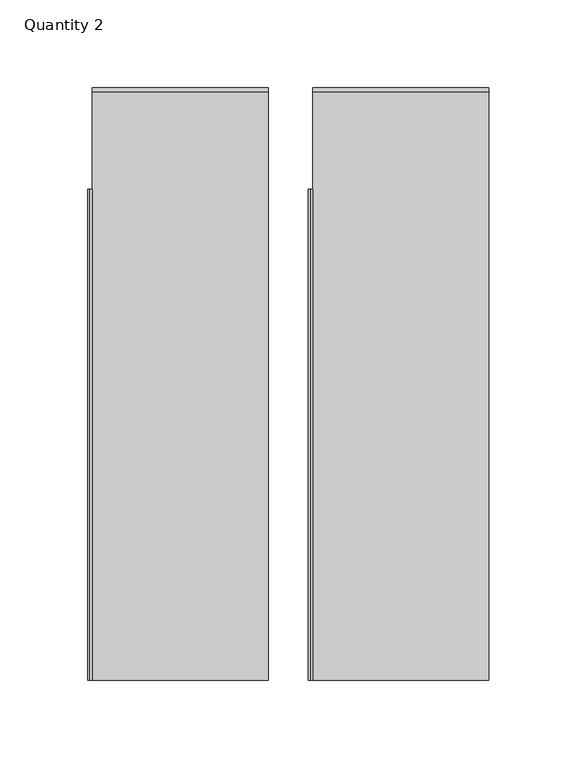
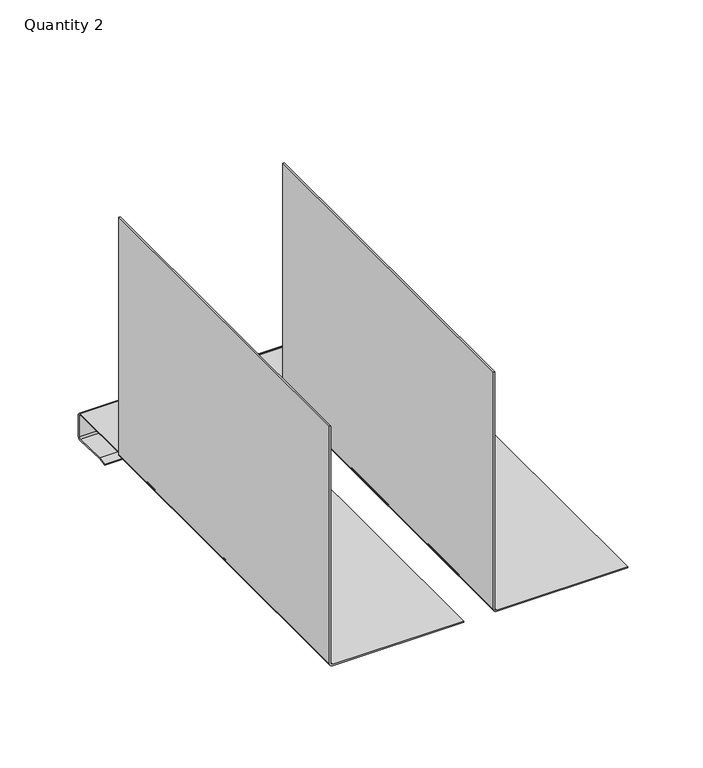
"""IFC4 building model written with IfcOpenShell, lengths in millimetres: furniture geometry, Quantity 2."""

import ifcopenshell
import ifcopenshell.guid

model = None  # the IFC model being written
_history = None  # IfcOwnerHistory: only IFC2X3 demands one
_inside = {}  # id of a spatial element -> (the spatial element, [elements in it])
_under = {}  # id of a project, library or spatial element -> (it, [spatial elements below it])
_declared = {}  # id of a project -> (the project, [libraries it declares])
_typed = {}  # id of a type object -> (the type object, [elements of that type])
_made_of = {}  # id of a material, layer set ... -> (it, [elements and type objects made of it])


def new_model(schema):
    """Start an empty IFC model of exactly this schema.

    Asked for "IFC4X3", IfcOpenShell would pick the latest addendum, in which some entities
    have other attributes; the version numbers below select the first issue.
    IFC2X3 requires an IfcOwnerHistory on every rooted entity: one is made here for all.
    """
    global model, _history
    if schema == "IFC4X3":
        model = ifcopenshell.file(schema_version=(4, 3, 0, 0))
    else:
        model = ifcopenshell.file(schema=schema)
    _inside.clear()
    _under.clear()
    _declared.clear()
    _typed.clear()
    _made_of.clear()
    _history = None
    if model.schema == "IFC2X3":
        org = make("IfcOrganization", Name="unknown")
        user = make(
            "IfcPersonAndOrganization",
            ThePerson=make("IfcPerson", FamilyName="unknown"),
            TheOrganization=org,
        )
        app = make(
            "IfcApplication",
            ApplicationDeveloper=org,
            Version="unknown",
            ApplicationFullName="unknown",
            ApplicationIdentifier="unknown",
        )
        _history = make(
            "IfcOwnerHistory",
            OwningUser=user,
            OwningApplication=app,
            ChangeAction="ADDED",
            CreationDate=0,
        )
    return model


def make(cls, **values):
    """One entity of the class cls with the attributes given. An attribute that is None is left unset."""
    return model.create_entity(
        cls, **{name: value for name, value in values.items() if value is not None}
    )


def rooted(cls, **values):
    """An entity with a GlobalId (a new one), such as an element, a storey or a relation."""
    return make(cls, GlobalId=ifcopenshell.guid.new(), OwnerHistory=_history, **values)


def si_unit(unit_type, name, prefix=None):
    """IfcSIUnit, for example si_unit("LENGTHUNIT", "METRE", prefix="MILLI")."""
    return make("IfcSIUnit", UnitType=unit_type, Prefix=prefix, Name=name)


def assignment(units):
    """IfcUnitAssignment: the units of a project."""
    return None if units is None else make("IfcUnitAssignment", Units=units)


def point(xyz):
    """IfcCartesianPoint."""
    return None if xyz is None else make("IfcCartesianPoint", Coordinates=xyz)


def direction(xyz):
    """IfcDirection."""
    return None if xyz is None else make("IfcDirection", DirectionRatios=xyz)


def frame(location, z_axis=None, x_axis=None):
    """IfcAxis2Placement3D, a coordinate frame: its origin and axes. An axis left out is left unset."""
    return make(
        "IfcAxis2Placement3D",
        Location=point(location),
        Axis=direction(z_axis),
        RefDirection=direction(x_axis),
    )


def origin():
    """The frame at (0, 0, 0) with its axes left unset."""
    return frame((0.0, 0.0, 0.0))


def place(relative_to, where):
    """IfcLocalPlacement: puts the frame where relative to a parent placement (None: the world)."""
    return make(
        "IfcLocalPlacement", PlacementRelTo=relative_to, RelativePlacement=where
    )


def context(
    kind, dimensions, precision=None, world=None, true_north=None, identifier=None
):
    """IfcGeometricRepresentationContext, for example the 3D "Model" context."""
    return make(
        "IfcGeometricRepresentationContext",
        ContextIdentifier=identifier,
        ContextType=kind,
        CoordinateSpaceDimension=dimensions,
        Precision=precision,
        WorldCoordinateSystem=world,
        TrueNorth=true_north,
    )


def project(units=None, contexts=None):
    """IfcProject with its units and contexts."""
    return rooted(
        "IfcProject",
        Name="project",
        RepresentationContexts=contexts,
        UnitsInContext=assignment(units),
    )


def spatial(cls, under=None, at=None, **own):
    """A site, building, storey or space (cls), placed at a placement, below another one or the project."""
    s = rooted(cls, ObjectPlacement=at, **own)
    if under is not None:
        _under.setdefault(under.id(), (under, []))[1].append(s)
    return s


def polyline(points):
    """IfcPolyline through the points."""
    return make("IfcPolyline", Points=[point(p) for p in points])


def circle_curve(where, radius):
    """IfcCircle in the frame where."""
    return make("IfcCircle", Position=where, Radius=radius)


def shape(context_of_items, identifier, shape_type, items):
    """IfcShapeRepresentation: the items that make up one representation, for example the "Body"."""
    return make(
        "IfcShapeRepresentation",
        ContextOfItems=context_of_items,
        RepresentationIdentifier=identifier,
        RepresentationType=shape_type,
        Items=items,
    )


def source(mapping_origin, context_of_items, identifier, shape_type, items):
    """IfcRepresentationMap: a shape defined once, which mapped items show again and again."""
    return make(
        "IfcRepresentationMap",
        MappingOrigin=mapping_origin,
        MappedRepresentation=shape(context_of_items, identifier, shape_type, items),
    )


def transform(
    local_origin,
    x_axis=None,
    y_axis=None,
    z_axis=None,
    scale=None,
    scale2=None,
    scale3=None,
    uniform=True,
):
    """IfcCartesianTransformationOperator3D, or its non-uniform kind. x_axis, y_axis, z_axis: its Axis1, 2, 3."""
    if uniform:
        return make(
            "IfcCartesianTransformationOperator3D",
            Axis1=direction(x_axis),
            Axis2=direction(y_axis),
            LocalOrigin=point(local_origin),
            Scale=scale,
            Axis3=direction(z_axis),
        )
    return make(
        "IfcCartesianTransformationOperator3DnonUniform",
        Axis1=direction(x_axis),
        Axis2=direction(y_axis),
        LocalOrigin=point(local_origin),
        Scale=scale,
        Axis3=direction(z_axis),
        Scale2=scale2,
        Scale3=scale3,
    )


def mapped(mapping_source, mapping_target):
    """IfcMappedItem: shows the shape of a source again, moved by a transform."""
    return make(
        "IfcMappedItem", MappingSource=mapping_source, MappingTarget=mapping_target
    )


def made_of(thing, what):
    """Note that an element or type object is made of a material, layer set ...; save() writes the relation."""
    if what is not None:
        _made_of.setdefault(what.id(), (what, []))[1].append(thing)
    return thing


def element(
    cls,
    number,
    at=None,
    inside=None,
    cuts=None,
    type_object=None,
    material=None,
    context=None,
    identifier="Body",
    shape_type=None,
    held_by="IfcProductDefinitionShape",
    body=None,
    shapes=None,
    **own,
):
    """One element of the class cls, such as IfcWall. Its Tag is "e" and its number.

    at: its placement. inside: the storey or other place that contains it. cuts: it is an
    opening in that element (IfcRelVoidsElement). A single representation is given by context,
    identifier, shape_type and body (its items); several are given by shapes. held_by: the class
    of the entity that holds the representations. save() writes the other relations.
    """
    e = rooted(cls, Tag="e%d" % number, ObjectPlacement=at, **own)
    if body is not None:
        shapes = [shape(context, identifier, shape_type, body)]
    if shapes is not None:
        e.Representation = make(held_by, Representations=shapes)
    if inside is not None:
        _inside.setdefault(inside.id(), (inside, []))[1].append(e)
    if cuts is not None:
        rooted(
            "IfcRelVoidsElement", RelatingBuildingElement=cuts, RelatedOpeningElement=e
        )
    if type_object is not None:
        _typed.setdefault(type_object.id(), (type_object, []))[1].append(e)
    return made_of(e, material)


def aggregate(whole, parts):
    """IfcRelAggregates: a whole, such as a stair, and the parts it consists of."""
    return rooted("IfcRelAggregates", RelatingObject=whole, RelatedObjects=parts)


def save(model, path):
    """Write the relations noted so far, then the file.

    IfcRelAggregates (storeys below a building ...), IfcRelContainedInSpatialStructure (elements
    in a storey), IfcRelDefinesByType, IfcRelAssociatesMaterial and IfcRelDeclares: one each for
    every whole, place, type object, material and project.
    """
    for whole, parts in _under.values():
        aggregate(whole, parts)
    for where, things in _inside.values():
        rooted(
            "IfcRelContainedInSpatialStructure",
            RelatedElements=things,
            RelatingStructure=where,
        )
    for kind, things in _typed.values():
        rooted("IfcRelDefinesByType", RelatedObjects=things, RelatingType=kind)
    for what, things in _made_of.values():
        rooted("IfcRelAssociatesMaterial", RelatedObjects=things, RelatingMaterial=what)
    for by, libraries in _declared.values():
        rooted("IfcRelDeclares", RelatingContext=by, RelatedDefinitions=libraries)
    model.write(path)


def plane_surface(at):
    """IfcPlane: the flat surface through the origin of the frame at, square to its z axis."""
    return make("IfcPlane", Position=at)


def cylinder_surface(at, radius):
    """IfcCylindricalSurface: all points at the distance radius from the z axis of the frame at."""
    return make("IfcCylindricalSurface", Position=at, Radius=radius)


def revolved_surface(curve, axis_point, axis_direction):
    """IfcSurfaceOfRevolution: the curve turned about the line through axis_point along axis_direction."""
    return make(
        "IfcSurfaceOfRevolution",
        SweptCurve=make("IfcArbitraryOpenProfileDef", ProfileType="CURVE", Curve=curve),
        AxisPosition=make("IfcAxis1Placement", Location=point(axis_point), Axis=direction(axis_direction)),
    )


def advanced_brep(points, edges, surfaces, faces):
    """IfcAdvancedBrep: a solid bounded by faces that lie on surfaces and meet in shared edges.

    An edge is (start, end): straight between two places in points (the first is 0);
    or (start, end, curve); or (start, end, curve, False) where it runs against its curve.
    A face is (place in surfaces, loops), or (place, loops, False) where it looks against
    its surface's normal. A loop lists edges by number (the first is 1), with a minus sign
    where the edge is run from its end to its start. The first loop is the outer one.
    """
    corners = [point(p) for p in points]
    vertices = [make("IfcVertexPoint", VertexGeometry=c) for c in corners]
    made = []
    for start, end, *more in edges:
        made.append(
            make(
                "IfcEdgeCurve",
                EdgeStart=vertices[start],
                EdgeEnd=vertices[end],
                EdgeGeometry=more[0] if more else make("IfcPolyline", Points=[corners[start], corners[end]]),
                SameSense=more[1] if len(more) > 1 else True,
            )
        )
    hull = []
    for where, loops, *sense in faces:
        bounds = []
        for j, loop in enumerate(loops):
            ring = [make("IfcOrientedEdge", EdgeElement=made[abs(k) - 1], Orientation=k > 0) for k in loop]
            bounds.append(
                make(
                    "IfcFaceOuterBound" if j == 0 else "IfcFaceBound",
                    Bound=make("IfcEdgeLoop", EdgeList=ring),
                    Orientation=True,
                )
            )
        hull.append(make("IfcAdvancedFace", Bounds=bounds, FaceSurface=surfaces[where], SameSense=sense[0] if sense else True))
    return make("IfcAdvancedBrep", Outer=make("IfcClosedShell", CfsFaces=hull))


def quantity_2_00eccd45(model_context):
    return source(origin(), model_context, "Body", "AdvancedBrep", [
        advanced_brep(
        [(12.7063845, 0.0, 22.1765094), (11.1823842, 0.0, 23.7005093), (11.1823659, 0.0, 216.1765093), (10.1823664, 0.0, 216.1765093), (10.1823847, 0.0, 23.7165097), (12.7223852, 0.0, 21.1765099), (113.1823173, 0.0, 21.1765296), (113.1823173, 0.0, 22.1765291), (12.7223852, 279.9625141, 21.1765099), (10.1823847, 279.9625141, 23.7165097), (10.1823664, 279.9625141, 216.1765093), (11.1823659, 279.9625141, 216.1765093), (11.1823842, 279.9625141, 23.7005093), (12.7063845, 279.9625141, 22.1765094), (12.6823958, 335.4883022, 21.1765099), (113.1823708, 335.4883022, 21.1765296), (113.1823173, 337.0123022, 19.6525765), (113.1823173, 337.0123022, 2.4940474), (113.1823173, 335.6941455, 1.2249608), (113.1823173, 309.682793, 2.2119872), (113.1823173, 303.0120762, 0.9471109), (113.1823173, 303.3330353, 1.74e-05), (113.1823173, 309.8088997, 1.1988571), (113.1823173, 335.9032282, 0.208545), (113.1823173, 338.0122896, 2.2390832), (113.1823173, 338.0122896, 19.6365733), (113.1823173, 335.4722896, 22.1765733), (12.6823958, 335.4722896, 22.1765094), (12.6823958, 338.0122896, 19.6365733), (12.6823958, 338.0122896, 2.2390832), (12.6823958, 335.9032282, 0.208545), (12.6823958, 309.8088997, 1.1988571), (12.6823958, 303.3330353, 1.74e-05), (12.6823958, 303.0120762, 0.9471109), (12.6823958, 309.682793, 2.2119872), (12.6823958, 335.6941455, 1.2249608), (12.6823958, 337.0123022, 2.4940474), (12.6823958, 337.0123022, 19.6525765)],
        [
            (0, 1, circle_curve(frame((12.7063842, 0.0, 23.7005094), z_axis=(0.0, 1.0, 0.0), x_axis=(1.0, 0.0, 0.0)), 1.524)),
            (1, 2),
            (2, 3),
            (3, 4),
            (4, 5, circle_curve(frame((12.7223847, 0.0, 23.7165099), z_axis=(0.0, -1.0, 0.0), x_axis=(1.0, 0.0, 0.0)), 2.54)),
            (5, 6),
            (6, 7),
            (7, 0),
            (8, 9, circle_curve(frame((12.7223847, 279.9625141, 23.7165099), z_axis=(0.0, 1.0, 0.0), x_axis=(1.0, 0.0, 0.0)), 2.54)),
            (9, 10),
            (10, 11),
            (11, 12),
            (12, 13, circle_curve(frame((12.7063842, 279.9625141, 23.7005094), z_axis=(0.0, -1.0, 0.0), x_axis=(1.0, 0.0, 0.0)), 1.524)),
            (13, 8),
            (0, 13),
            (12, 1),
            (11, 2),
            (10, 3),
            (9, 4),
            (8, 5),
            (8, 14),
            (14, 15),
            (15, 6),
            (15, 16, circle_curve(frame((113.1823173, 335.4883022, 19.6525765), z_axis=(-1.0, 0.0, 0.0), x_axis=(0.0, -1.0, 0.0)), 1.524)),
            (16, 17),
            (17, 18, circle_curve(frame((113.1823173, 335.7423022, 2.4940474), z_axis=(-1.0, 0.0, 0.0), x_axis=(0.0, -1.0, 0.0)), 1.27)),
            (18, 19),
            (19, 20),
            (20, 21),
            (21, 22),
            (22, 23),
            (23, 24, circle_curve(frame((113.1823173, 335.9802896, 2.2390832), z_axis=(1.0, 0.0, 0.0), x_axis=(0.0, -1.0, 0.0)), 2.032)),
            (24, 25),
            (25, 26, circle_curve(frame((113.1823173, 335.4722896, 19.6365733), z_axis=(1.0, 0.0, 0.0), x_axis=(0.0, -1.0, 0.0)), 2.54)),
            (26, 7),
            (26, 27),
            (27, 13),
            (27, 28, circle_curve(frame((12.6823958, 335.4722896, 19.6365733), z_axis=(-1.0, 0.0, 0.0), x_axis=(0.0, -1.0, 0.0)), 2.54)),
            (28, 29),
            (29, 30, circle_curve(frame((12.6823958, 335.9802896, 2.2390832), z_axis=(-1.0, 0.0, 0.0), x_axis=(0.0, -1.0, 0.0)), 2.032)),
            (30, 31),
            (31, 32),
            (32, 33),
            (33, 34),
            (34, 35),
            (35, 36, circle_curve(frame((12.6823958, 335.7423022, 2.4940474), z_axis=(1.0, 0.0, 0.0), x_axis=(0.0, -1.0, 0.0)), 1.27)),
            (36, 37),
            (37, 14, circle_curve(frame((12.6823958, 335.4883022, 19.6525765), z_axis=(1.0, 0.0, 0.0), x_axis=(0.0, -1.0, 0.0)), 1.524)),
            (37, 16),
            (36, 17),
            (35, 18),
            (34, 19),
            (33, 20),
            (32, 21),
            (31, 22),
            (30, 23),
            (29, 24),
            (28, 25),
        ],
        [
            plane_surface(frame((14.2303842, 0.0, 23.7005094), z_axis=(0.0, -1.0, 0.0), x_axis=(0.0, 0.0, -1.0))),
            plane_surface(frame((14.2303842, 279.9625141, 23.7005094), z_axis=(0.0, 1.0, 0.0), x_axis=(0.0, 0.0, 1.0))),
            revolved_surface(polyline([(14.2303842, 279.9625141, 23.7005094), (14.2303842, 0.0, 23.7005094)]), (12.7063842, 279.9625141, 23.7005094), (0.0, 1.0, 0.0)),
            plane_surface(frame((11.1823842, 0.0, 23.7005093), z_axis=(0.9999999999999956, 0.0, 9.486941671381241e-08), x_axis=(0.0, 1.0, 0.0))),
            plane_surface(frame((11.1823659, 0.0, 216.1765093), z_axis=(0.0, 0.0, 1.0), x_axis=(0.0, 1.0, 0.0))),
            plane_surface(frame((10.1823664, 0.0, 216.1765093), z_axis=(-0.9999999999999956, 0.0, -9.486941675771524e-08), x_axis=(0.0, 1.0, 0.0))),
            cylinder_surface(frame((12.7223847, 279.9625141, 23.7165099), z_axis=(0.0, -1.0, 0.0), x_axis=(1.0, 0.0, 0.0)), 2.54),
            plane_surface(frame((12.7223852, 0.0, 21.1765099), z_axis=(1.9583536070630945e-07, 0.0, -0.9999999999999809), x_axis=(0.0, 1.0, 0.0))),
            plane_surface(frame((113.1823173, 0.0, 21.1765296), z_axis=(1.0, 0.0, 0.0), x_axis=(0.0, 1.0, 0.0))),
            plane_surface(frame((113.1823173, 0.0, 22.1765291), z_axis=(-1.9583536195111992e-07, 0.0, 0.9999999999999809), x_axis=(0.0, 1.0, 0.0))),
            plane_surface(frame((12.6823958, 282.9915155, 22.1765733), z_axis=(-1.0, 0.0, 0.0), x_axis=(0.0, 1.0, 0.0))),
            revolved_surface(polyline([(12.6823958, 333.9643022, 19.6525765), (113.1823708, 333.9643022, 19.6525765)]), (12.6823958, 335.4883022, 19.6525765), (-1.0, 0.0, 0.0)),
            plane_surface(frame((113.1823708, 337.0123022, 19.6525765), z_axis=(0.0, -1.0, 0.0), x_axis=(-1.0, 0.0, 0.0))),
            revolved_surface(polyline([(12.6823958, 334.4723022, 2.4940474), (113.1823173, 334.4723022, 2.4940474)]), (12.6823958, 335.7423022, 2.4940474), (-1.0, 0.0, 0.0)),
            plane_surface(frame((113.1823708, 335.6941455, 1.2249608), z_axis=(0.0, 0.03791869687349825, 0.9992808276092441), x_axis=(-1.0, 0.0, 0.0))),
            plane_surface(frame((113.1823708, 309.682793, 2.2119872), z_axis=(0.0, -0.18629673726552268, 0.9824935244998925), x_axis=(-1.0, 0.0, 0.0))),
            plane_surface(frame((113.1823708, 303.0120762, 0.9471109), z_axis=(0.0, -0.9470931046183753, -0.32095895560698623), x_axis=(-1.0, 0.0, 0.0))),
            plane_surface(frame((113.1823708, 303.3330353, 1.74e-05), z_axis=(0.0, 0.1820313578510032, -0.9832927258751181), x_axis=(-1.0, 0.0, 0.0))),
            plane_surface(frame((113.1823708, 309.8088997, 1.1988571), z_axis=(0.0, -0.03792393950921303, -0.9992806286584873), x_axis=(-1.0, 0.0, 0.0))),
            cylinder_surface(frame((12.6823958, 335.9802896, 2.2390832), z_axis=(1.0, 0.0, 0.0), x_axis=(0.0, -1.0, 0.0)), 2.032),
            plane_surface(frame((113.1823708, 338.0122896, 2.2390832), z_axis=(0.0, 1.0, 0.0), x_axis=(-1.0, 0.0, 0.0))),
            cylinder_surface(frame((12.6823958, 335.4722896, 19.6365733), z_axis=(1.0, 0.0, 0.0), x_axis=(0.0, -1.0, 0.0)), 2.54),
        ],
        [
            (0, [[1, 2, 3, 4, 5, 6, 7, 8]]),
            (1, [[9, 10, 11, 12, 13, 14]]),
            (2, [[-1, 15, -13, 16]]),
            (3, [[-2, -16, -12, 17]]),
            (4, [[-3, -17, -11, 18]]),
            (5, [[-4, -18, -10, 19]]),
            (6, [[-5, -19, -9, 20]]),
            (7, [[-6, -20, 21, 22, 23]]),
            (8, [[-7, -23, 24, 25, 26, 27, 28, 29, 30, 31, 32, 33, 34, 35]]),
            (9, [[-8, -35, 36, 37, -15]]),
            (10, [[38, 39, 40, 41, 42, 43, 44, 45, 46, 47, 48, -21, -14, -37]]),
            (11, [[-24, -22, -48, 49]]),
            (12, [[-25, -49, -47, 50]]),
            (13, [[-26, -50, -46, 51]]),
            (14, [[-27, -51, -45, 52]]),
            (15, [[-28, -52, -44, 53]]),
            (16, [[-29, -53, -43, 54]]),
            (17, [[-30, -54, -42, 55]]),
            (18, [[-31, -55, -41, 56]]),
            (19, [[-32, -56, -40, 57]]),
            (20, [[-33, -57, -39, 58]]),
            (21, [[-34, -58, -38, -36]]),
        ],
    ),
        advanced_brep(
        [(-113.1584237, 0.0, 22.1765094), (-114.682424, 0.0, 23.7005093), (-114.6824423, 0.0, 216.1765093), (-115.6824418, 0.0, 216.1765093), (-115.6824236, 0.0, 23.7165097), (-113.1424231, 0.0, 21.1765099), (-12.6824909, 0.0, 21.1765296), (-12.6824909, 0.0, 22.1765291), (-113.1424231, 279.9625141, 21.1765099), (-115.6824236, 279.9625141, 23.7165097), (-115.6824418, 279.9625141, 216.1765093), (-114.6824423, 279.9625141, 216.1765093), (-114.682424, 279.9625141, 23.7005093), (-113.1584237, 279.9625141, 22.1765094), (-113.1824124, 335.4883022, 21.1765099), (-12.6824375, 335.4883022, 21.1765296), (-12.6824909, 337.0123022, 19.6525765), (-12.6824909, 337.0123022, 2.4940474), (-12.6824909, 335.6941455, 1.2249608), (-12.6824909, 309.682793, 2.2119872), (-12.6824909, 303.0120762, 0.9471109), (-12.6824909, 303.3330353, 1.74e-05), (-12.6824909, 309.8088997, 1.1988571), (-12.6824909, 335.9032282, 0.208545), (-12.6824909, 338.0122896, 2.2390832), (-12.6824909, 338.0122896, 19.6365733), (-12.6824909, 335.4722896, 22.1765733), (-113.1824124, 335.4722896, 22.1765094), (-113.1824124, 338.0122896, 19.6365733), (-113.1824124, 338.0122896, 2.2390832), (-113.1824124, 335.9032282, 0.208545), (-113.1824124, 309.8088997, 1.1988571), (-113.1824124, 303.3330353, 1.74e-05), (-113.1824124, 303.0120762, 0.9471109), (-113.1824124, 309.682793, 2.2119872), (-113.1824124, 335.6941455, 1.2249608), (-113.1824124, 337.0123022, 2.4940474), (-113.1824124, 337.0123022, 19.6525765)],
        [
            (0, 1, circle_curve(frame((-113.158424, 0.0, 23.7005094), z_axis=(0.0, 1.0, 0.0), x_axis=(1.0, 0.0, 0.0)), 1.524)),
            (1, 2),
            (2, 3),
            (3, 4),
            (4, 5, circle_curve(frame((-113.1424236, 0.0, 23.7165099), z_axis=(0.0, -1.0, 0.0), x_axis=(1.0, 0.0, 0.0)), 2.54)),
            (5, 6),
            (6, 7),
            (7, 0),
            (8, 9, circle_curve(frame((-113.1424236, 279.9625141, 23.7165099), z_axis=(0.0, 1.0, 0.0), x_axis=(1.0, 0.0, 0.0)), 2.54)),
            (9, 10),
            (10, 11),
            (11, 12),
            (12, 13, circle_curve(frame((-113.158424, 279.9625141, 23.7005094), z_axis=(0.0, -1.0, 0.0), x_axis=(1.0, 0.0, 0.0)), 1.524)),
            (13, 8),
            (0, 13),
            (12, 1),
            (11, 2),
            (10, 3),
            (9, 4),
            (8, 5),
            (8, 14),
            (14, 15),
            (15, 6),
            (15, 16, circle_curve(frame((-12.6824909, 335.4883022, 19.6525765), z_axis=(-1.0, 0.0, 0.0), x_axis=(0.0, -1.0, 0.0)), 1.524)),
            (16, 17),
            (17, 18, circle_curve(frame((-12.6824909, 335.7423022, 2.4940474), z_axis=(-1.0, 0.0, 0.0), x_axis=(0.0, -1.0, 0.0)), 1.27)),
            (18, 19),
            (19, 20),
            (20, 21),
            (21, 22),
            (22, 23),
            (23, 24, circle_curve(frame((-12.6824909, 335.9802896, 2.2390832), z_axis=(1.0, 0.0, 0.0), x_axis=(0.0, -1.0, 0.0)), 2.032)),
            (24, 25),
            (25, 26, circle_curve(frame((-12.6824909, 335.4722896, 19.6365733), z_axis=(1.0, 0.0, 0.0), x_axis=(0.0, -1.0, 0.0)), 2.54)),
            (26, 7),
            (26, 27),
            (27, 13),
            (27, 28, circle_curve(frame((-113.1824124, 335.4722896, 19.6365733), z_axis=(-1.0, 0.0, 0.0), x_axis=(0.0, -1.0, 0.0)), 2.54)),
            (28, 29),
            (29, 30, circle_curve(frame((-113.1824124, 335.9802896, 2.2390832), z_axis=(-1.0, 0.0, 0.0), x_axis=(0.0, -1.0, 0.0)), 2.032)),
            (30, 31),
            (31, 32),
            (32, 33),
            (33, 34),
            (34, 35),
            (35, 36, circle_curve(frame((-113.1824124, 335.7423022, 2.4940474), z_axis=(1.0, 0.0, 0.0), x_axis=(0.0, -1.0, 0.0)), 1.27)),
            (36, 37),
            (37, 14, circle_curve(frame((-113.1824124, 335.4883022, 19.6525765), z_axis=(1.0, 0.0, 0.0), x_axis=(0.0, -1.0, 0.0)), 1.524)),
            (37, 16),
            (36, 17),
            (35, 18),
            (34, 19),
            (33, 20),
            (32, 21),
            (31, 22),
            (30, 23),
            (29, 24),
            (28, 25),
        ],
        [
            plane_surface(frame((-111.634424, 0.0, 23.7005094), z_axis=(0.0, -1.0, 0.0), x_axis=(0.0, 0.0, -1.0))),
            plane_surface(frame((-111.634424, 279.9625141, 23.7005094), z_axis=(0.0, 1.0, 0.0), x_axis=(0.0, 0.0, 1.0))),
            revolved_surface(polyline([(-111.634424, 279.9625141, 23.7005094), (-111.634424, 0.0, 23.7005094)]), (-113.158424, 279.9625141, 23.7005094), (0.0, 1.0, 0.0)),
            plane_surface(frame((-114.682424, 0.0, 23.7005093), z_axis=(0.9999999999999956, 0.0, 9.486941666985941e-08), x_axis=(0.0, 1.0, 0.0))),
            plane_surface(frame((-114.6824423, 0.0, 216.1765093), z_axis=(0.0, 0.0, 1.0), x_axis=(0.0, 1.0, 0.0))),
            plane_surface(frame((-115.6824418, 0.0, 216.1765093), z_axis=(-0.9999999999999956, 0.0, -9.486941677969358e-08), x_axis=(0.0, 1.0, 0.0))),
            cylinder_surface(frame((-113.1424236, 279.9625141, 23.7165099), z_axis=(0.0, -1.0, 0.0), x_axis=(1.0, 0.0, 0.0)), 2.54),
            plane_surface(frame((-113.1424231, 0.0, 21.1765099), z_axis=(1.9583536070630945e-07, 0.0, -0.9999999999999809), x_axis=(0.0, 1.0, 0.0))),
            plane_surface(frame((-12.6824909, 0.0, 21.1765296), z_axis=(1.0, 0.0, 0.0), x_axis=(0.0, 1.0, 0.0))),
            plane_surface(frame((-12.6824909, 0.0, 22.1765291), z_axis=(-1.9583536195111992e-07, 0.0, 0.9999999999999809), x_axis=(0.0, 1.0, 0.0))),
            plane_surface(frame((-113.1824124, 282.9915155, 22.1765733), z_axis=(-1.0, 0.0, 0.0), x_axis=(0.0, 1.0, 0.0))),
            revolved_surface(polyline([(-113.1824124, 333.9643022, 19.6525765), (-12.682437500000006, 333.9643022, 19.6525765)]), (-113.1824124, 335.4883022, 19.6525765), (-1.0, 0.0, 0.0)),
            plane_surface(frame((-12.6824375, 337.0123022, 19.6525765), z_axis=(0.0, -1.0, 0.0), x_axis=(-1.0, 0.0, 0.0))),
            revolved_surface(polyline([(-113.1824124, 334.4723022, 2.4940474), (-12.682490900000005, 334.4723022, 2.4940474)]), (-113.1824124, 335.7423022, 2.4940474), (-1.0, 0.0, 0.0)),
            plane_surface(frame((-12.6824375, 335.6941455, 1.2249608), z_axis=(0.0, 0.03791869687349825, 0.9992808276092441), x_axis=(-1.0, 0.0, 0.0))),
            plane_surface(frame((-12.6824375, 309.682793, 2.2119872), z_axis=(0.0, -0.18629673726552268, 0.9824935244998925), x_axis=(-1.0, 0.0, 0.0))),
            plane_surface(frame((-12.6824375, 303.0120762, 0.9471109), z_axis=(0.0, -0.9470931046183754, -0.3209589556069861), x_axis=(-1.0, 0.0, 0.0))),
            plane_surface(frame((-12.6824375, 303.3330353, 1.74e-05), z_axis=(0.0, 0.18203135785100322, -0.9832927258751181), x_axis=(-1.0, 0.0, 0.0))),
            plane_surface(frame((-12.6824375, 309.8088997, 1.1988571), z_axis=(0.0, -0.03792393950921303, -0.9992806286584873), x_axis=(-1.0, 0.0, 0.0))),
            cylinder_surface(frame((-113.1824124, 335.9802896, 2.2390832), z_axis=(1.0, 0.0, 0.0), x_axis=(0.0, -1.0, 0.0)), 2.032),
            plane_surface(frame((-12.6824375, 338.0122896, 2.2390832), z_axis=(0.0, 1.0, 0.0), x_axis=(-1.0, 0.0, 0.0))),
            cylinder_surface(frame((-113.1824124, 335.4722896, 19.6365733), z_axis=(1.0, 0.0, 0.0), x_axis=(0.0, -1.0, 0.0)), 2.54),
        ],
        [
            (0, [[1, 2, 3, 4, 5, 6, 7, 8]]),
            (1, [[9, 10, 11, 12, 13, 14]]),
            (2, [[-1, 15, -13, 16]]),
            (3, [[-2, -16, -12, 17]]),
            (4, [[-3, -17, -11, 18]]),
            (5, [[-4, -18, -10, 19]]),
            (6, [[-5, -19, -9, 20]]),
            (7, [[-6, -20, 21, 22, 23]]),
            (8, [[-7, -23, 24, 25, 26, 27, 28, 29, 30, 31, 32, 33, 34, 35]]),
            (9, [[-8, -35, 36, 37, -15]]),
            (10, [[38, 39, 40, 41, 42, 43, 44, 45, 46, 47, 48, -21, -14, -37]]),
            (11, [[-24, -22, -48, 49]]),
            (12, [[-25, -49, -47, 50]]),
            (13, [[-26, -50, -46, 51]]),
            (14, [[-27, -51, -45, 52]]),
            (15, [[-28, -52, -44, 53]]),
            (16, [[-29, -53, -43, 54]]),
            (17, [[-30, -54, -42, 55]]),
            (18, [[-31, -55, -41, 56]]),
            (19, [[-32, -56, -40, 57]]),
            (20, [[-33, -57, -39, 58]]),
            (21, [[-34, -58, -38, -36]]),
        ],
    ),
    ])


if __name__ == "__main__":
    model = new_model("IFC4")
    model_context = context("Model", 3, world=origin())
    ifc_project = project(units=[si_unit("LENGTHUNIT", "METRE", prefix="MILLI")], contexts=[model_context])
    site = spatial("IfcSite", under=ifc_project)
    building = spatial("IfcBuilding", under=site)
    placement = place(None, origin())
    quantity_2_shape = quantity_2_00eccd45(model_context)
    element("IfcFurniture", 1, ObjectType="Quantity 2", at=placement, inside=building, context=model_context, shape_type="MappedRepresentation", body=[
        mapped(quantity_2_shape, transform((0.0, 0.0, 0.0), x_axis=(1.0, 0.0, 0.0), y_axis=(0.0, 1.0, 0.0), z_axis=(0.0, 0.0, 1.0))),
    ])
    save(model, "model.ifc")
